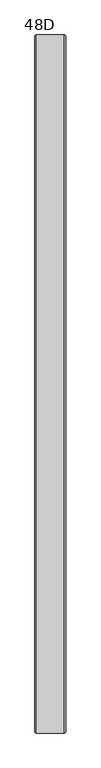
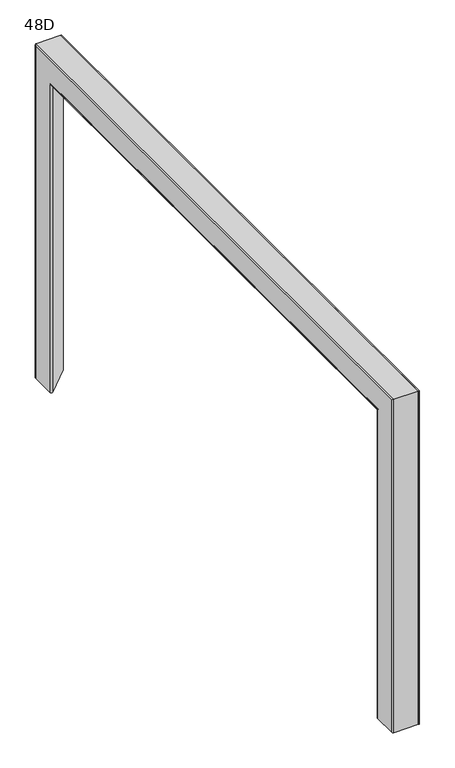
"""IFC4 building model written with IfcOpenShell, lengths in millimetres: furniture geometry, 48D."""

from ifc_helpers import new_model, si_unit, frame, origin, place, context, project, spatial, polyline, circle_curve, ellipse_curve, source, transform, mapped, element, save
from ifc_brep_helpers import plane_surface, cylinder_surface, revolved_surface, advanced_brep


def furniture_48d_7b044859(model_context):
    return source(origin(), model_context, "Body", "AdvancedBrep", [
        advanced_brep(
        [(-26.5, -548.8590518, 11.0), (-21.926821, -546.964779, 11.0), (25.721221, -594.612821, 11.0), (23.8269482, -599.186, 11.0), (-23.8210938, -599.186, 11.0), (-26.5, -596.5070938, 11.0), (-24.515625, -548.8590518, 11.0), (-24.515625, -596.5070938, 11.0), (-23.8210938, -597.201625, 11.0), (23.8269482, -597.201625, 11.0), (24.318056, -596.015986, 11.0), (-23.329986, -548.367944, 11.0), (-26.5, -548.8590518, 641.8230518), (-21.926821, -546.964779, 639.928779), (25.721221, -594.612821, 687.576821), (23.8269482, -599.186, 692.15), (-23.8210938, -599.186, 692.15), (-26.5, -596.5070938, 689.4710937), (-26.5, 596.5070937, 689.4710937), (-26.5, 596.5070937, 11.0), (-26.5, 548.8590518, 11.0), (-26.5, 548.8590518, 641.8230518), (-24.515625, -548.8590518, 641.8230518), (-24.515625, 548.8590518, 641.8230518), (-24.515625, 548.8590518, 11.0), (-24.515625, 596.5070937, 11.0), (-24.515625, 596.5070937, 689.4710937), (-24.515625, -596.5070938, 689.4710937), (-23.8210938, -597.201625, 690.165625), (23.8269482, -597.201625, 690.165625), (24.318056, -596.015986, 688.979986), (-23.329986, -548.367944, 641.331944), (-21.926821, 546.964779, 639.928779), (25.721221, 594.612821, 687.576821), (25.721221, 484.2418, 687.576821), (-13.9672583, 484.2418, 647.8883417), (-15.9118019, 483.5049397, 645.9437981), (-17.3353067, 481.4918, 644.5202933), (-17.8563456, 478.7418, 643.9992544), (-17.8563456, 434.2418, 643.9992544), (-17.3353067, 431.4918, 644.5202933), (-15.9118019, 429.4786603, 645.9437981), (-13.9672583, 428.7418, 647.8883417), (25.721221, 428.7418, 687.576821), (25.721221, 202.75, 687.576821), (-13.9672583, 202.75, 647.8883417), (-15.9118019, 202.0131397, 645.9437981), (-17.3353067, 200.0, 644.5202933), (-17.8563456, 197.25, 643.9992544), (-17.8563456, 152.75, 643.9992544), (-17.3353067, 150.0, 644.5202933), (-15.9118019, 147.9868603, 645.9437981), (-13.9672583, 147.25, 647.8883417), (25.721221, 147.25, 687.576821), (25.721221, -147.25, 687.576821), (-13.9672583, -147.25, 647.8883417), (-15.9118019, -147.9868603, 645.9437981), (-17.3353067, -150.0, 644.5202933), (-17.8563456, -152.75, 643.9992544), (-17.8563456, -197.25, 643.9992544), (-17.3353067, -200.0, 644.5202933), (-15.9118019, -202.0131397, 645.9437981), (-14.6269979, -202.5, 647.2286021), (25.721221, -202.5, 687.576821), (25.721221, -428.7418, 687.576821), (-13.9672583, -428.7418, 647.8883417), (-15.9118019, -429.4786603, 645.9437981), (-17.3353067, -431.4918, 644.5202933), (-17.8563456, -434.2418, 643.9992544), (-17.8563456, -478.7418, 643.9992544), (-17.3353067, -481.4918, 644.5202933), (-15.9118019, -483.5049397, 645.9437981), (-13.9672583, -484.2418, 647.8883417), (25.721221, -484.2418, 687.576821), (26.4615873, -484.2418, 689.9560841), (26.4615873, -428.7418, 689.9560841), (26.4680571, -202.5, 689.9195159), (26.4680571, -147.25, 689.9195159), (26.4680571, 147.25, 689.9195159), (26.4680571, 202.75, 689.9195159), (26.4680571, 428.7418, 689.9195159), (26.4680571, 484.2418, 689.9195159), (23.8269482, 599.186, 692.15), (-23.8210938, 599.186, 692.15), (-23.8210938, 597.201625, 690.165625), (23.8269482, 597.201625, 690.165625), (24.318056, 596.015986, 688.979986), (24.318056, 484.2418, 688.979986), (24.3573171, 484.2418, 689.9195159), (24.3573171, 428.7418, 689.9195159), (24.318056, 428.7418, 688.979986), (24.318056, 202.75, 688.979986), (24.3573171, 202.75, 689.9195159), (24.3573171, 147.25, 689.9195159), (24.318056, 147.25, 688.979986), (24.318056, -147.25, 688.979986), (24.3573171, -147.25, 689.9195159), (24.3573171, -202.5, 689.9195159), (24.318056, -202.5, 688.979986), (24.318056, -428.7418, 688.979986), (24.3240981, -428.7418, 689.9560841), (24.3240981, -484.2418, 689.9560841), (24.318056, -484.2418, 688.979986), (-16.7735883, -484.2418, 647.8883417), (-18.718132, -483.5049397, 645.9437981), (-20.1416367, -481.4918, 644.5202933), (-20.6626756, -478.7418, 643.9992544), (-20.6626756, -434.2418, 643.9992544), (-20.1416367, -431.4918, 644.5202933), (-18.718132, -429.4786603, 645.9437981), (-16.7735883, -428.7418, 647.8883417), (-17.4333279, -202.5, 647.2286021), (-18.718132, -202.0131397, 645.9437981), (-20.1416367, -200.0, 644.5202933), (-20.6626756, -197.25, 643.9992544), (-20.6626756, -152.75, 643.9992544), (-20.1416367, -150.0, 644.5202933), (-18.718132, -147.9868603, 645.9437981), (-16.7735883, -147.25, 647.8883417), (-16.7735883, 147.25, 647.8883417), (-18.718132, 147.9868603, 645.9437981), (-20.1416367, 150.0, 644.5202933), (-20.6626756, 152.75, 643.9992544), (-20.6626756, 197.25, 643.9992544), (-20.1416367, 200.0, 644.5202933), (-18.718132, 202.0131397, 645.9437981), (-16.7735883, 202.75, 647.8883417), (-16.7735883, 428.7418, 647.8883417), (-18.718132, 429.4786603, 645.9437981), (-20.1416367, 431.4918, 644.5202933), (-20.6626756, 434.2418, 643.9992544), (-20.6626756, 478.7418, 643.9992544), (-20.1416367, 481.4918, 644.5202933), (-18.718132, 483.5049397, 645.9437981), (-16.7735883, 484.2418, 647.8883417), (-23.329986, 548.367944, 641.331944), (-23.8210938, 599.186, 11.0), (23.8269482, 599.186, 11.0), (25.721221, 594.612821, 11.0), (-21.926821, 546.964779, 11.0), (-23.329986, 548.367944, 11.0), (24.318056, 596.015986, 11.0), (23.8269482, 597.201625, 11.0), (-23.8210938, 597.201625, 11.0)],
        [
            (0, 1, circle_curve(frame((-23.8210938, -548.8590518, 11.0), z_axis=(0.0, 0.0, -1.0), x_axis=(0.0, 1.0, 0.0)), 2.6789063)),
            (1, 2),
            (2, 3, circle_curve(frame((23.8269482, -596.5070938, 11.0), z_axis=(0.0, 0.0, -1.0), x_axis=(0.0, 1.0, 0.0)), 2.6789062)),
            (3, 4),
            (4, 5, circle_curve(frame((-23.8210938, -596.5070938, 11.0), z_axis=(0.0, 0.0, -1.0), x_axis=(0.0, 1.0, 0.0)), 2.6789063)),
            (5, 0),
            (6, 7),
            (7, 8, circle_curve(frame((-23.8210938, -596.5070938, 11.0), z_axis=(0.0, 0.0, 1.0), x_axis=(0.0, 1.0, 0.0)), 0.6945312)),
            (8, 9),
            (9, 10, circle_curve(frame((23.8269482, -596.5070938, 11.0), z_axis=(0.0, 0.0, 1.0), x_axis=(0.0, 1.0, 0.0)), 0.6945312)),
            (10, 11),
            (11, 6, circle_curve(frame((-23.8210938, -548.8590518, 11.0), z_axis=(0.0, 0.0, 1.0), x_axis=(0.0, 1.0, 0.0)), 0.6945313)),
            (0, 12),
            (12, 13, ellipse_curve(frame((-23.8210938, -548.8590518, 641.8230518), z_axis=(0.0, -0.7071067811865475, -0.7071067811865475), x_axis=(0.0, 0.7071067811865474, -0.7071067811865476)), 3.7885456, 2.6789063)),
            (13, 1),
            (13, 14),
            (14, 2),
            (14, 15, ellipse_curve(frame((23.8269482, -596.5070938, 689.4710937), z_axis=(0.0, -0.7071067811865475, -0.7071067811865475), x_axis=(0.0, 0.7071067811865474, -0.7071067811865476)), 3.7885456, 2.6789063)),
            (15, 3),
            (15, 16),
            (16, 4),
            (16, 17, ellipse_curve(frame((-23.8210938, -596.5070938, 689.4710937), z_axis=(0.0, -0.7071067811865475, -0.7071067811865475), x_axis=(0.0, 0.7071067811865474, -0.7071067811865476)), 3.7885456, 2.6789063)),
            (17, 5),
            (17, 18),
            (18, 19),
            (19, 20),
            (20, 21),
            (21, 12),
            (6, 22),
            (22, 23),
            (23, 24),
            (24, 25),
            (25, 26),
            (26, 27),
            (27, 7),
            (27, 28, ellipse_curve(frame((-23.8210938, -596.5070938, 689.4710937), z_axis=(0.0, 0.7071067811865475, 0.7071067811865475), x_axis=(0.0, -0.7071067811865474, 0.7071067811865476)), 0.9822155, 0.6945312)),
            (28, 8),
            (28, 29),
            (29, 9),
            (29, 30, ellipse_curve(frame((23.8269482, -596.5070938, 689.4710937), z_axis=(0.0, 0.7071067811865475, 0.7071067811865475), x_axis=(0.0, -0.7071067811865474, 0.7071067811865476)), 0.9822155, 0.6945312)),
            (30, 10),
            (30, 31),
            (31, 11),
            (31, 22, ellipse_curve(frame((-23.8210938, -548.8590518, 641.8230518), z_axis=(0.0, 0.7071067811865475, 0.7071067811865475), x_axis=(0.0, -0.7071067811865474, 0.7071067811865476)), 0.9822155, 0.6945312)),
            (21, 32, ellipse_curve(frame((-23.8210938, 548.8590518, 641.8230518), z_axis=(0.0, -0.7071067811865475, 0.7071067811865475), x_axis=(0.0, -0.7071067811865476, -0.7071067811865474)), 3.7885456, 2.6789063)),
            (32, 13),
            (32, 33),
            (33, 34),
            (34, 35),
            (35, 36),
            (36, 37),
            (37, 38),
            (38, 39),
            (39, 40),
            (40, 41),
            (41, 42),
            (42, 43),
            (43, 44),
            (44, 45),
            (45, 46),
            (46, 47),
            (47, 48),
            (48, 49),
            (49, 50),
            (50, 51),
            (51, 52),
            (52, 53),
            (53, 54),
            (54, 55),
            (55, 56),
            (56, 57),
            (57, 58),
            (58, 59),
            (59, 60),
            (60, 61),
            (61, 62),
            (62, 63),
            (63, 64),
            (64, 65),
            (65, 66),
            (66, 67),
            (67, 68),
            (68, 69),
            (69, 70),
            (70, 71),
            (71, 72),
            (72, 73),
            (73, 14),
            (73, 74, circle_curve(frame((23.8269482, -484.2418, 689.4710937), z_axis=(0.0, -1.0, 0.0), x_axis=(0.0, 0.0, -1.0)), 2.6789063)),
            (74, 75),
            (75, 64, circle_curve(frame((23.8269482, -428.7418, 689.4710937), z_axis=(0.0, 1.0, 0.0), x_axis=(0.0, 0.0, -1.0)), 2.6789062)),
            (63, 76, circle_curve(frame((23.8269482, -202.5, 689.4710937), z_axis=(0.0, -1.0, 0.0), x_axis=(0.0, 0.0, -1.0)), 2.6789063)),
            (76, 77),
            (77, 54, circle_curve(frame((23.8269482, -147.25, 689.4710937), z_axis=(0.0, 1.0, 0.0), x_axis=(0.0, 0.0, -1.0)), 2.6789063)),
            (53, 78, circle_curve(frame((23.8269482, 147.25, 689.4710937), z_axis=(0.0, -1.0, 0.0), x_axis=(0.0, 0.0, -1.0)), 2.6789063)),
            (78, 79),
            (79, 44, circle_curve(frame((23.8269482, 202.75, 689.4710937), z_axis=(0.0, 1.0, 0.0), x_axis=(0.0, 0.0, -1.0)), 2.6789063)),
            (43, 80, circle_curve(frame((23.8269482, 428.7418, 689.4710937), z_axis=(0.0, -1.0, 0.0), x_axis=(0.0, 0.0, -1.0)), 2.6789062)),
            (80, 81),
            (81, 34, circle_curve(frame((23.8269482, 484.2418, 689.4710937), z_axis=(0.0, 1.0, 0.0), x_axis=(0.0, 0.0, -1.0)), 2.6789063)),
            (33, 82, ellipse_curve(frame((23.8269482, 596.5070937, 689.4710937), z_axis=(0.0, -0.7071067811865475, 0.7071067811865475), x_axis=(0.0, -0.7071067811865476, -0.7071067811865474)), 3.7885456, 2.6789063)),
            (82, 15),
            (82, 83),
            (83, 16),
            (83, 18, ellipse_curve(frame((-23.8210938, 596.5070937, 689.4710937), z_axis=(0.0, -0.7071067811865475, 0.7071067811865475), x_axis=(0.0, -0.7071067811865476, -0.7071067811865474)), 3.7885456, 2.6789063)),
            (26, 84, ellipse_curve(frame((-23.8210938, 596.5070937, 689.4710937), z_axis=(0.0, 0.7071067811865475, -0.7071067811865475), x_axis=(0.0, 0.7071067811865476, 0.7071067811865474)), 0.9822155, 0.6945312)),
            (84, 28),
            (84, 85),
            (85, 29),
            (85, 86, ellipse_curve(frame((23.8269482, 596.5070937, 689.4710937), z_axis=(0.0, 0.7071067811865475, -0.7071067811865475), x_axis=(0.0, 0.7071067811865476, 0.7071067811865474)), 0.9822155, 0.6945312)),
            (86, 87),
            (87, 88, circle_curve(frame((23.8269482, 484.2418, 689.4710937), z_axis=(0.0, -1.0, 0.0), x_axis=(0.0, 0.0, -1.0)), 0.6945313)),
            (88, 89),
            (89, 90, circle_curve(frame((23.8269482, 428.7418, 689.4710937), z_axis=(0.0, 1.0, 0.0), x_axis=(0.0, 0.0, -1.0)), 0.6945312)),
            (90, 91),
            (91, 92, circle_curve(frame((23.8269482, 202.75, 689.4710937), z_axis=(0.0, -1.0, 0.0), x_axis=(0.0, 0.0, -1.0)), 0.6945313)),
            (92, 93),
            (93, 94, circle_curve(frame((23.8269482, 147.25, 689.4710937), z_axis=(0.0, 1.0, 0.0), x_axis=(0.0, 0.0, -1.0)), 0.6945312)),
            (94, 95),
            (95, 96, circle_curve(frame((23.8269482, -147.25, 689.4710937), z_axis=(0.0, -1.0, 0.0), x_axis=(0.0, 0.0, -1.0)), 0.6945313)),
            (96, 97),
            (97, 98, circle_curve(frame((23.8269482, -202.5, 689.4710937), z_axis=(0.0, 1.0, 0.0), x_axis=(0.0, 0.0, -1.0)), 0.6945312)),
            (98, 99),
            (99, 100, circle_curve(frame((23.8269482, -428.7418, 689.4710937), z_axis=(0.0, -1.0, 0.0), x_axis=(0.0, 0.0, -1.0)), 0.6945313)),
            (100, 101),
            (101, 102, circle_curve(frame((23.8269482, -484.2418, 689.4710937), z_axis=(0.0, 1.0, 0.0), x_axis=(0.0, 0.0, -1.0)), 0.6945313)),
            (102, 30),
            (102, 103),
            (103, 104),
            (104, 105),
            (105, 106),
            (106, 107),
            (107, 108),
            (108, 109),
            (109, 110),
            (110, 99),
            (98, 111),
            (111, 112),
            (112, 113),
            (113, 114),
            (114, 115),
            (115, 116),
            (116, 117),
            (117, 118),
            (118, 95),
            (94, 119),
            (119, 120),
            (120, 121),
            (121, 122),
            (122, 123),
            (123, 124),
            (124, 125),
            (125, 126),
            (126, 91),
            (90, 127),
            (127, 128),
            (128, 129),
            (129, 130),
            (130, 131),
            (131, 132),
            (132, 133),
            (133, 134),
            (134, 87),
            (86, 135),
            (135, 31),
            (135, 23, ellipse_curve(frame((-23.8210938, 548.8590518, 641.8230518), z_axis=(0.0, 0.7071067811865475, -0.7071067811865475), x_axis=(0.0, 0.7071067811865476, 0.7071067811865474)), 0.9822155, 0.6945312)),
            (19, 136, circle_curve(frame((-23.8210938, 596.5070937, 11.0), z_axis=(0.0, 0.0, -1.0), x_axis=(0.0, -1.0, 0.0)), 2.6789063)),
            (136, 137),
            (137, 138, circle_curve(frame((23.8269482, 596.5070937, 11.0), z_axis=(0.0, 0.0, -1.0), x_axis=(0.0, -1.0, 0.0)), 2.6789063)),
            (138, 139),
            (139, 20, circle_curve(frame((-23.8210938, 548.8590518, 11.0), z_axis=(0.0, 0.0, -1.0), x_axis=(0.0, -1.0, 0.0)), 2.6789062)),
            (24, 140, circle_curve(frame((-23.8210938, 548.8590518, 11.0), z_axis=(0.0, 0.0, 1.0), x_axis=(0.0, -1.0, 0.0)), 0.6945312)),
            (140, 141),
            (141, 142, circle_curve(frame((23.8269482, 596.5070937, 11.0), z_axis=(0.0, 0.0, 1.0), x_axis=(0.0, -1.0, 0.0)), 0.6945313)),
            (142, 143),
            (143, 25, circle_curve(frame((-23.8210938, 596.5070937, 11.0), z_axis=(0.0, 0.0, 1.0), x_axis=(0.0, -1.0, 0.0)), 0.6945312)),
            (139, 32),
            (138, 33),
            (137, 82),
            (136, 83),
            (143, 84),
            (142, 85),
            (141, 86),
            (140, 135),
            (103, 72),
            (71, 104),
            (70, 105),
            (69, 106),
            (68, 107),
            (67, 108),
            (66, 109),
            (65, 110),
            (75, 100),
            (74, 101),
            (133, 36),
            (35, 134),
            (132, 37),
            (131, 38),
            (130, 39),
            (129, 40),
            (128, 41),
            (127, 42),
            (89, 80),
            (88, 81),
            (125, 46),
            (45, 126),
            (124, 47),
            (123, 48),
            (122, 49),
            (121, 50),
            (120, 51),
            (119, 52),
            (93, 78),
            (92, 79),
            (117, 56),
            (55, 118),
            (116, 57),
            (115, 58),
            (114, 59),
            (113, 60),
            (112, 61),
            (111, 62),
            (97, 76),
            (96, 77),
        ],
        [
            plane_surface(frame((0.0, -599.186, 11.0), z_axis=(0.0, 0.0, -1.0), x_axis=(1.0, 0.0, 0.0))),
            cylinder_surface(frame((-23.8210938, -548.8590518, 11.0), z_axis=(0.0, 0.0, -1.0), x_axis=(0.0, 1.0, 0.0)), 2.6789063),
            plane_surface(frame((-21.926821, -546.964779, 11.0), z_axis=(0.7071067811865482, 0.7071067811865469, 0.0), x_axis=(0.0, 0.0, 1.0))),
            cylinder_surface(frame((23.8269482, -596.5070938, 11.0), z_axis=(0.0, 0.0, -1.0), x_axis=(0.0, 1.0, 0.0)), 2.6789063),
            plane_surface(frame((23.8269482, -599.186, 11.0), z_axis=(0.0, -1.0, 0.0), x_axis=(0.0, 0.0, 1.0))),
            cylinder_surface(frame((-23.8210938, -596.5070938, 11.0), z_axis=(0.0, 0.0, -1.0), x_axis=(0.0, 1.0, 0.0)), 2.6789063),
            plane_surface(frame((-26.5, -596.5070938, 11.0), z_axis=(-1.0, 0.0, 0.0), x_axis=(0.0, 0.0, 1.0))),
            plane_surface(frame((-24.515625, -548.8590518, 11.0), z_axis=(1.0, 0.0, 0.0), x_axis=(0.0, 0.0, 1.0))),
            revolved_surface(polyline([(-23.8210938, -595.8125626, 690.165625), (-23.8210938, -595.8125626, 11.0)]), (-23.8210938, -596.5070938, 11.0), (0.0, 0.0, 1.0)),
            plane_surface(frame((-23.8210938, -597.201625, 11.0), z_axis=(0.0, 1.0, 0.0), x_axis=(0.0, 0.0, 1.0))),
            revolved_surface(polyline([(23.8269482, -595.8125626, 690.165625), (23.8269482, -595.8125626, 11.0)]), (23.8269482, -596.5070938, 11.0), (0.0, 0.0, 1.0)),
            plane_surface(frame((24.318056, -596.015986, 11.0), z_axis=(-0.7071067811865481, -0.7071067811865469, 0.0), x_axis=(0.0, 0.0, 1.0))),
            revolved_surface(polyline([(-23.8210938, -548.1645206, 642.5175830406365), (-23.8210938, -548.1645206, 11.0)]), (-23.8210938, -548.8590518, 11.0), (0.0, 0.0, 1.0)),
            cylinder_surface(frame((-23.8210938, -599.186, 641.8230518), z_axis=(0.0, -1.0, 0.0), x_axis=(0.0, 0.0, -1.0)), 2.6789063),
            plane_surface(frame((-21.926821, -546.964779, 639.928779), z_axis=(0.707106781186541, 0.0, -0.7071067811865541), x_axis=(0.0, 1.0, 0.0))),
            cylinder_surface(frame((23.8269482, -599.186, 689.4710937), z_axis=(0.0, -1.0, 0.0), x_axis=(0.0, 0.0, -1.0)), 2.6789063),
            plane_surface(frame((23.8269482, -599.186, 692.15), z_axis=(0.0, 0.0, 1.0), x_axis=(0.0, 1.0, 0.0))),
            cylinder_surface(frame((-23.8210938, -599.186, 689.4710937), z_axis=(0.0, -1.0, 0.0), x_axis=(0.0, 0.0, -1.0)), 2.6789063),
            revolved_surface(polyline([(-23.8210938, 597.201625, 688.7765625), (-23.8210938, -597.2016250406365, 688.7765625)]), (-23.8210938, -599.186, 689.4710937), (0.0, 1.0, 0.0)),
            plane_surface(frame((-23.8210938, -597.201625, 690.165625), z_axis=(0.0, 0.0, -1.0), x_axis=(0.0, 1.0, 0.0))),
            revolved_surface(polyline([(23.8269482, 597.201625, 688.7765625), (23.8269482, -597.2016250406365, 688.7765625)]), (23.8269482, -599.186, 689.4710937), (0.0, 1.0, 0.0)),
            plane_surface(frame((24.318056, -596.015986, 688.979986), z_axis=(-0.7071067811865409, 0.0, 0.7071067811865541), x_axis=(0.0, 1.0, 0.0))),
            revolved_surface(polyline([(-23.8210938, 549.5535830406365, 641.1285206), (-23.8210938, -549.5535830406366, 641.1285206)]), (-23.8210938, -599.186, 641.8230518), (0.0, 1.0, 0.0)),
            plane_surface(frame((0.0, 599.186, 11.0), z_axis=(0.0, 0.0, -1.0), x_axis=(1.0, 0.0, 0.0))),
            cylinder_surface(frame((-23.8210938, 548.8590518, 692.15), z_axis=(0.0, 0.0, 1.0), x_axis=(0.0, -1.0, 0.0)), 2.6789063),
            plane_surface(frame((-21.926821, 546.964779, 639.928779), z_axis=(0.7071067811865482, -0.7071067811865469, 0.0), x_axis=(0.0, 0.0, -1.0))),
            cylinder_surface(frame((23.8269482, 596.5070937, 692.15), z_axis=(0.0, 0.0, 1.0), x_axis=(0.0, -1.0, 0.0)), 2.6789063),
            plane_surface(frame((23.8269482, 599.186, 692.15), z_axis=(0.0, 1.0, 0.0), x_axis=(0.0, 0.0, -1.0))),
            cylinder_surface(frame((-23.8210938, 596.5070937, 692.15), z_axis=(0.0, 0.0, 1.0), x_axis=(0.0, -1.0, 0.0)), 2.6789063),
            revolved_surface(polyline([(-23.8210938, 595.8125625, 11.0), (-23.8210938, 595.8125625, 690.165625)]), (-23.8210938, 596.5070937, 692.15), (0.0, 0.0, -1.0)),
            plane_surface(frame((-23.8210938, 597.201625, 690.165625), z_axis=(0.0, -1.0, 0.0), x_axis=(0.0, 0.0, -1.0))),
            revolved_surface(polyline([(23.8269482, 595.8125625, 11.0), (23.8269482, 595.8125625, 690.165625)]), (23.8269482, 596.5070937, 692.15), (0.0, 0.0, -1.0)),
            plane_surface(frame((24.318056, 596.015986, 688.979986), z_axis=(-0.7071067811865481, 0.7071067811865469, 0.0), x_axis=(0.0, 0.0, -1.0))),
            revolved_surface(polyline([(-23.8210938, 548.1645206, 11.0), (-23.8210938, 548.1645206, 642.5175830406365)]), (-23.8210938, 548.8590518, 692.15), (0.0, 0.0, -1.0)),
            plane_surface(frame((33.5689022, -484.2418, 647.8883417), z_axis=(0.0, 0.9351131265324671, 0.3543493200031212), x_axis=(-1.0, 0.0, 0.0))),
            plane_surface(frame((33.5689022, -483.5049397, 645.9437981), z_axis=(0.0, 0.577350269189627, 0.8164965809277253), x_axis=(-1.0, 0.0, 0.0))),
            plane_surface(frame((33.5689022, -481.4918, 644.5202933), z_axis=(0.0, 0.18615678789531614, 0.98252005084909), x_axis=(-1.0, 0.0, 0.0))),
            plane_surface(frame((33.5689022, -478.7418, 643.9992544), z_axis=(0.0, 0.0, 1.0), x_axis=(-1.0, 0.0, 0.0))),
            plane_surface(frame((33.5689022, -434.2418, 643.9992544), z_axis=(0.0, -0.18615678789780815, 0.9825200508486179), x_axis=(-1.0, 0.0, 0.0))),
            plane_surface(frame((33.5689022, -431.4918, 644.5202933), z_axis=(0.0, -0.5773502691876026, 0.8164965809291568), x_axis=(-1.0, 0.0, 0.0))),
            plane_surface(frame((33.5689022, -429.4786603, 645.9437981), z_axis=(0.0, -0.9351131265298771, 0.354349320009956), x_axis=(-1.0, 0.0, 0.0))),
            plane_surface(frame((33.5689022, -428.7418, 647.8883417), z_axis=(0.0, -1.0, 0.0), x_axis=(-1.0, 0.0, 0.0))),
            plane_surface(frame((33.5689022, -428.7418, 689.9560841), z_axis=(0.0, 0.0, -1.0), x_axis=(-1.0, 0.0, 0.0))),
            plane_surface(frame((33.5689022, -484.2418, 689.9560841), z_axis=(0.0, 1.0, 0.0), x_axis=(-1.0, 0.0, 0.0))),
            plane_surface(frame((33.5689022, 483.5049397, 645.9437981), z_axis=(0.0, -0.9351131265310265, 0.3543493200069228), x_axis=(-1.0, 0.0, 0.0))),
            plane_surface(frame((33.5689022, 481.4918, 644.5202933), z_axis=(0.0, -0.5773502691896163, 0.8164965809277328), x_axis=(-1.0, 0.0, 0.0))),
            plane_surface(frame((33.5689022, 478.7418, 643.9992544), z_axis=(0.0, -0.186156787895354, 0.9825200508490828), x_axis=(-1.0, 0.0, 0.0))),
            plane_surface(frame((33.5689022, 434.2418, 643.9992544), z_axis=(0.0, 0.0, 1.0), x_axis=(-1.0, 0.0, 0.0))),
            plane_surface(frame((33.5689022, 431.4918, 644.5202933), z_axis=(0.0, 0.1861567878975295, 0.9825200508486707), x_axis=(-1.0, 0.0, 0.0))),
            plane_surface(frame((33.5689022, 429.4786603, 645.9437981), z_axis=(0.0, 0.5773502691875767, 0.816496580929175), x_axis=(-1.0, 0.0, 0.0))),
            plane_surface(frame((33.5689022, 428.7418, 647.8883417), z_axis=(0.0, 0.9351131265311206, 0.3543493200066744), x_axis=(-1.0, 0.0, 0.0))),
            plane_surface(frame((33.5689022, 428.7418, 689.9195159), z_axis=(0.0, 1.0, 0.0), x_axis=(-1.0, 0.0, 0.0))),
            plane_surface(frame((33.5689022, 484.2418, 689.9195159), z_axis=(0.0, 0.0, -1.0), x_axis=(-1.0, 0.0, 0.0))),
            plane_surface(frame((33.5689022, 484.2418, 647.8883417), z_axis=(0.0, -1.0, 0.0), x_axis=(-1.0, 0.0, 0.0))),
            plane_surface(frame((33.5689022, 202.0131397, 645.9437981), z_axis=(0.0, -0.9351131265325248, 0.3543493200029688), x_axis=(-1.0, 0.0, 0.0))),
            plane_surface(frame((33.5689022, 200.0, 644.5202933), z_axis=(0.0, -0.577350269189627, 0.8164965809277253), x_axis=(-1.0, 0.0, 0.0))),
            plane_surface(frame((33.5689022, 197.25, 643.9992544), z_axis=(0.0, -0.18615678789531614, 0.98252005084909), x_axis=(-1.0, 0.0, 0.0))),
            plane_surface(frame((33.5689022, 152.75, 643.9992544), z_axis=(0.0, 0.0, 1.0), x_axis=(-1.0, 0.0, 0.0))),
            plane_surface(frame((33.5689022, 150.0, 644.5202933), z_axis=(0.0, 0.18615678789753395, 0.9825200508486698), x_axis=(-1.0, 0.0, 0.0))),
            plane_surface(frame((33.5689022, 147.9868603, 645.9437981), z_axis=(0.0, 0.5773502691875897, 0.8164965809291659), x_axis=(-1.0, 0.0, 0.0))),
            plane_surface(frame((33.5689022, 147.25, 647.8883417), z_axis=(0.0, 0.9351131265295036, 0.35434932001094166), x_axis=(-1.0, 0.0, 0.0))),
            plane_surface(frame((33.5689022, 147.25, 689.9195159), z_axis=(0.0, 1.0, 0.0), x_axis=(-1.0, 0.0, 0.0))),
            plane_surface(frame((33.5689022, 202.75, 689.9195159), z_axis=(0.0, 0.0, -1.0), x_axis=(-1.0, 0.0, 0.0))),
            plane_surface(frame((33.5689022, 202.75, 647.8883417), z_axis=(0.0, -1.0, 0.0), x_axis=(-1.0, 0.0, 0.0))),
            plane_surface(frame((33.5689022, -147.9868603, 645.9437981), z_axis=(0.0, -0.9351131265325248, 0.3543493200029688), x_axis=(-1.0, 0.0, 0.0))),
            plane_surface(frame((33.5689022, -150.0, 644.5202933), z_axis=(0.0, -0.5773502691896464, 0.8164965809277115), x_axis=(-1.0, 0.0, 0.0))),
            plane_surface(frame((33.5689022, -152.75, 643.9992544), z_axis=(0.0, -0.18615678789536286, 0.9825200508490811), x_axis=(-1.0, 0.0, 0.0))),
            plane_surface(frame((33.5689022, -197.25, 643.9992544), z_axis=(0.0, 0.0, 1.0), x_axis=(-1.0, 0.0, 0.0))),
            plane_surface(frame((33.5689022, -200.0, 644.5202933), z_axis=(0.0, 0.18615678789748502, 0.982520050848679), x_axis=(-1.0, 0.0, 0.0))),
            plane_surface(frame((33.5689022, -202.0131397, 645.9437981), z_axis=(0.0, 0.5773502691876823, 0.8164965809291004), x_axis=(-1.0, 0.0, 0.0))),
            plane_surface(frame((33.5689022, -202.5, 647.2286021), z_axis=(0.0, 0.9351131265286607, 0.3543493200131656), x_axis=(-1.0, 0.0, 0.0))),
            plane_surface(frame((33.5689022, -202.5, 689.9195159), z_axis=(0.0, 1.0, 0.0), x_axis=(-1.0, 0.0, 0.0))),
            plane_surface(frame((33.5689022, -147.25, 689.9195159), z_axis=(0.0, 0.0, -1.0), x_axis=(-1.0, 0.0, 0.0))),
            plane_surface(frame((33.5689022, -147.25, 647.8883417), z_axis=(0.0, -1.0, 0.0), x_axis=(-1.0, 0.0, 0.0))),
        ],
        [
            (0, [[1, 2, 3, 4, 5, 6], [7, 8, 9, 10, 11, 12]]),
            (1, [[-1, 13, 14, 15]]),
            (2, [[-2, -15, 16, 17]]),
            (3, [[-3, -17, 18, 19]]),
            (4, [[-4, -19, 20, 21]]),
            (5, [[-5, -21, 22, 23]]),
            (6, [[-6, -23, 24, 25, 26, 27, 28, -13]]),
            (7, [[-7, 29, 30, 31, 32, 33, 34, 35]]),
            (8, [[-8, -35, 36, 37]]),
            (9, [[-9, -37, 38, 39]]),
            (10, [[-10, -39, 40, 41]]),
            (11, [[-11, -41, 42, 43]]),
            (12, [[-12, -43, 44, -29]]),
            (13, [[-14, -28, 45, 46]]),
            (14, [[-16, -46, 47, 48, 49, 50, 51, 52, 53, 54, 55, 56, 57, 58, 59, 60, 61, 62, 63, 64, 65, 66, 67, 68, 69, 70, 71, 72, 73, 74, 75, 76, 77, 78, 79, 80, 81, 82, 83, 84, 85, 86, 87, 88]]),
            (15, [[-18, -88, 89, 90, 91, -78, 92, 93, 94, -68, 95, 96, 97, -58, 98, 99, 100, -48, 101, 102]]),
            (16, [[-20, -102, 103, 104]]),
            (17, [[-22, -104, 105, -24]]),
            (18, [[-34, 106, 107, -36]]),
            (19, [[-38, -107, 108, 109]]),
            (20, [[-40, -109, 110, 111, 112, 113, 114, 115, 116, 117, 118, 119, 120, 121, 122, 123, 124, 125, 126, 127]]),
            (21, [[-42, -127, 128, 129, 130, 131, 132, 133, 134, 135, 136, -123, 137, 138, 139, 140, 141, 142, 143, 144, 145, -119, 146, 147, 148, 149, 150, 151, 152, 153, 154, -115, 155, 156, 157, 158, 159, 160, 161, 162, 163, -111, 164, 165]]),
            (22, [[-30, -44, -165, 166]]),
            (23, [[-26, 167, 168, 169, 170, 171], [-32, 172, 173, 174, 175, 176]]),
            (24, [[-27, -171, 177, -45]]),
            (25, [[-47, -177, -170, 178]]),
            (26, [[-101, -178, -169, 179]]),
            (27, [[-103, -179, -168, 180]]),
            (28, [[-25, -105, -180, -167]]),
            (29, [[-33, -176, 181, -106]]),
            (30, [[-108, -181, -175, 182]]),
            (31, [[-110, -182, -174, 183]]),
            (32, [[-164, -183, -173, 184]]),
            (33, [[-31, -166, -184, -172]]),
            (34, [[185, -86, 186, -129]]),
            (35, [[-186, -85, 187, -130]]),
            (36, [[-187, -84, 188, -131]]),
            (37, [[-188, -83, 189, -132]]),
            (38, [[-189, -82, 190, -133]]),
            (39, [[-190, -81, 191, -134]]),
            (40, [[-191, -80, 192, -135]]),
            (41, [[-192, -79, -91, 193, -124, -136]]),
            (42, [[-193, -90, 194, -125]]),
            (43, [[-185, -128, -126, -194, -89, -87]]),
            (44, [[195, -50, 196, -162]]),
            (45, [[-195, -161, 197, -51]]),
            (46, [[-197, -160, 198, -52]]),
            (47, [[-198, -159, 199, -53]]),
            (48, [[-199, -158, 200, -54]]),
            (49, [[-200, -157, 201, -55]]),
            (50, [[-201, -156, 202, -56]]),
            (51, [[-202, -155, -114, 203, -98, -57]]),
            (52, [[-203, -113, 204, -99]]),
            (53, [[-204, -112, -163, -196, -49, -100]]),
            (54, [[205, -60, 206, -153]]),
            (55, [[-205, -152, 207, -61]]),
            (56, [[-207, -151, 208, -62]]),
            (57, [[-208, -150, 209, -63]]),
            (58, [[-209, -149, 210, -64]]),
            (59, [[-210, -148, 211, -65]]),
            (60, [[-211, -147, 212, -66]]),
            (61, [[-212, -146, -118, 213, -95, -67]]),
            (62, [[-213, -117, 214, -96]]),
            (63, [[-214, -116, -154, -206, -59, -97]]),
            (64, [[215, -70, 216, -144]]),
            (65, [[-215, -143, 217, -71]]),
            (66, [[-217, -142, 218, -72]]),
            (67, [[-218, -141, 219, -73]]),
            (68, [[-219, -140, 220, -74]]),
            (69, [[-220, -139, 221, -75]]),
            (70, [[-221, -138, 222, -76]]),
            (71, [[-222, -137, -122, 223, -92, -77]]),
            (72, [[-223, -121, 224, -93]]),
            (73, [[-224, -120, -145, -216, -69, -94]]),
        ],
    ),
    ])


if __name__ == "__main__":
    model = new_model("IFC4")
    model_context = context("Model", 3, world=origin())
    ifc_project = project(units=[si_unit("LENGTHUNIT", "METRE", prefix="MILLI")], contexts=[model_context])
    site = spatial("IfcSite", under=ifc_project)
    building = spatial("IfcBuilding", under=site)
    placement = place(None, origin())
    furniture_48d_shape = furniture_48d_7b044859(model_context)
    element("IfcFurniture", 1, ObjectType="48D", at=placement, inside=building, context=model_context, shape_type="MappedRepresentation", body=[
        mapped(furniture_48d_shape, transform((0.0, 0.0, 0.0), x_axis=(1.0, 0.0, 0.0), y_axis=(0.0, 1.0, 0.0), z_axis=(0.0, 0.0, 1.0))),
    ])
    save(model, "model.ifc")
